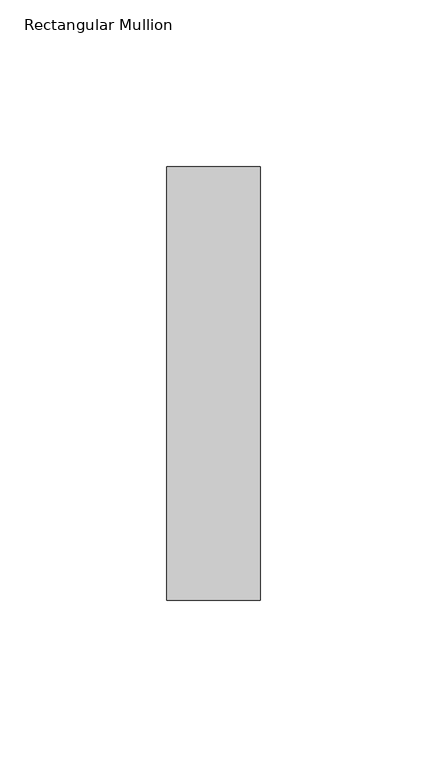
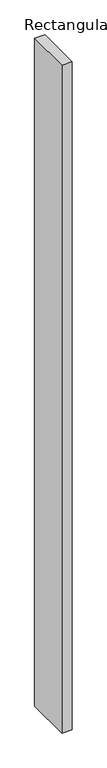
"""IFC4 building model written with IfcOpenShell, lengths in millimetres: member geometry, Rectangular Mullion."""

from ifc_helpers import new_model, si_unit, frame, origin, place, context, project, spatial, polyline, outline, extrude, source, transform, mapped, element, save


def rectangular_mullion_06937871(model_context):
    return source(origin(), model_context, "Body", "SweptSolid", [
        extrude(outline(polyline([(0.0, -65.0), (-28.0, -65.0), (-28.0, 65.0), (0.0, 65.0), (0.0, -65.0)])), frame((0.0, 0.0, -1944.0), z_axis=(0.0, 0.0, 1.0), x_axis=(1.0, 0.0, 0.0)), (0.0, 0.0, 1.0), 1944.0),
    ])


if __name__ == "__main__":
    model = new_model("IFC4")
    model_context = context("Model", 3, world=origin())
    ifc_project = project(units=[si_unit("LENGTHUNIT", "METRE", prefix="MILLI")], contexts=[model_context])
    site = spatial("IfcSite", under=ifc_project)
    building = spatial("IfcBuilding", under=site)
    placement = place(None, origin())
    rectangular_mullion_shape = rectangular_mullion_06937871(model_context)
    element("IfcMember", 1, ObjectType="Rectangular Mullion", at=placement, inside=building, context=model_context, shape_type="MappedRepresentation", body=[
        mapped(rectangular_mullion_shape, transform((0.0, 0.0, 0.0), x_axis=(1.0, 0.0, 0.0), y_axis=(0.0, 1.0, 0.0), z_axis=(0.0, 0.0, 1.0))),
    ])
    save(model, "model.ifc")
